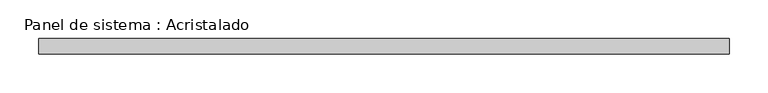
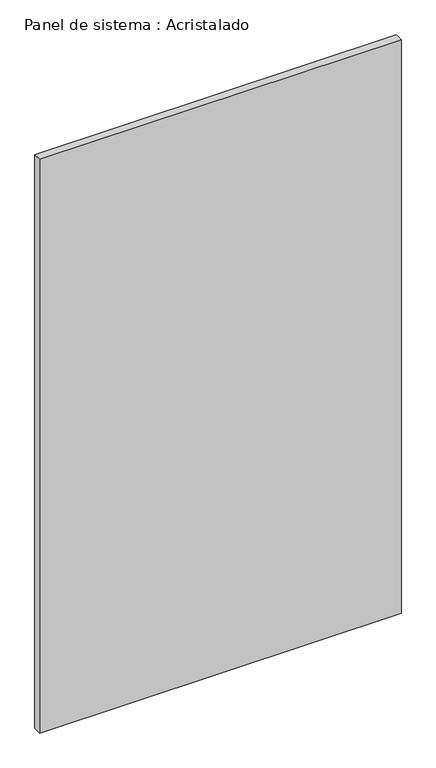
"""IFC4 building model written with IfcOpenShell, lengths in millimetres: plate geometry, Panel de sistema : Acristalado."""

from ifc_helpers import new_model, si_unit, origin, origin_with_axes, place, context, project, spatial, polyline, outline, extrude, source, transform, mapped, element, save


def panel_de_sistema_acristalado_5e95299b(model_context):
    return source(origin(), model_context, "Body", "SweptSolid", [
        extrude(outline(polyline([(446.0, -10.0), (-446.0, -10.0), (-446.0, 10.0), (446.0, 10.0), (446.0, -10.0)])), origin_with_axes(), (0.0, 0.0, 1.0), 1494.4303161),
    ])


if __name__ == "__main__":
    model = new_model("IFC4")
    model_context = context("Model", 3, world=origin())
    ifc_project = project(units=[si_unit("LENGTHUNIT", "METRE", prefix="MILLI")], contexts=[model_context])
    site = spatial("IfcSite", under=ifc_project)
    building = spatial("IfcBuilding", under=site)
    placement = place(None, origin())
    panel_de_sistema_acristalado_shape = panel_de_sistema_acristalado_5e95299b(model_context)
    element("IfcPlate", 1, ObjectType="Panel de sistema : Acristalado", at=placement, inside=building, context=model_context, shape_type="MappedRepresentation", body=[
        mapped(panel_de_sistema_acristalado_shape, transform((0.0, 0.0, 0.0), x_axis=(1.0, 0.0, 0.0), y_axis=(0.0, 1.0, 0.0), z_axis=(0.0, 0.0, 1.0))),
    ])
    save(model, "model.ifc")
